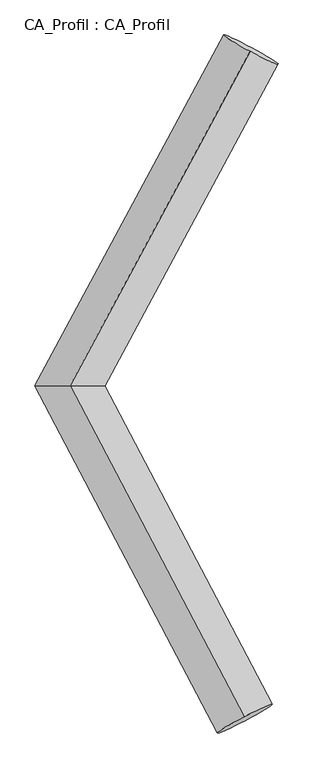
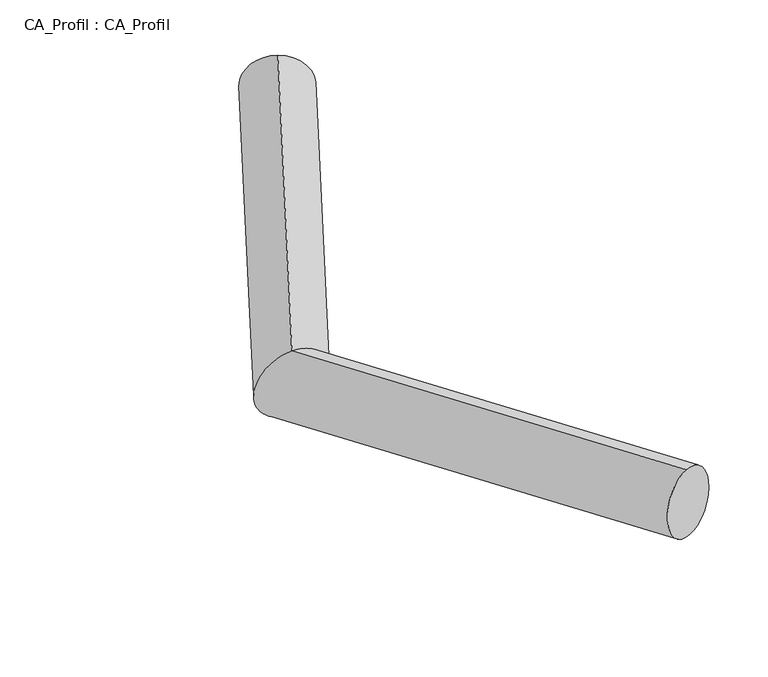
"""IFC4 building model written with IfcOpenShell, lengths in millimetres: plate geometry, CA_Profil : CA_Profil."""

from ifc_helpers import new_model, si_unit, frame, origin, place, context, project, spatial, circle_curve, ellipse_curve, source, transform, mapped, element, save
from ifc_brep_helpers import plane_surface, cylinder_surface, advanced_brep


def ca_profil_ca_profil_bdd454e1(model_context):
    return source(origin(), model_context, "Body", "AdvancedBrep", [
        advanced_brep(
        [(6126.7095514, 8830.3667037, -154.5913022), (6115.7813795, 8801.2446624, 344.4402417), (4654.0395632, 6095.7896212, -346.4229784), (4659.0212714, 6096.2103788, 154.6810046), (6076.3121593, 3387.852501, -152.6718588), (6065.6929492, 3417.9766403, 346.3068668)],
        [
            (0, 1, circle_curve(frame((6121.2454654, 8815.805683, 94.9244698), z_axis=(0.4732492921948654, 0.8787689564848922, 0.061645993831817784), x_axis=(-0.021856343689283776, -0.05824408269182588, 0.9980630877213743)), 250.0)),
            (1, 0, circle_curve(frame((6121.2454654, 8815.805683, 94.9244698), z_axis=(0.4732492921948654, 0.8787689564848922, 0.061645993831817784), x_axis=(-0.021856343689283776, -0.05824408269182588, 0.9980630877213743)), 250.0)),
            (0, 2),
            (2, 3, ellipse_curve(frame((4656.5304173, 6096.0, -95.8709869), z_axis=(0.005214807182140628, 0.999986005415758, -0.00089149239406138), x_axis=(0.9912306729570974, -0.005051429216885199, 0.13204634054712164)), 283.7138259, 250.0)),
            (3, 1),
            (3, 2, ellipse_curve(frame((4656.5304173, 6096.0, -95.8709869), z_axis=(0.005214807182140628, 0.999986005415758, -0.00089149239406138), x_axis=(0.9912306729570974, -0.005051429216885199, 0.13204634054712164)), 283.7138259, 250.0)),
            (4, 5, circle_curve(frame((6071.0025542, 3402.9145707, 96.817504), z_axis=(0.4640590330215186, -0.8835455910144744, 0.06321710583391646), x_axis=(-0.021238420224210942, 0.060248278752927514, 0.9979574512040529)), 250.0)),
            (5, 4, circle_curve(frame((6071.0025542, 3402.9145707, 96.817504), z_axis=(0.4640590330215186, -0.8835455910144744, 0.06321710583391646), x_axis=(-0.021238420224210942, 0.060248278752927514, 0.9979574512040529)), 250.0)),
            (2, 4),
            (5, 3),
        ],
        [
            plane_surface(frame((6121.2454654, 8833.3002897, -154.4626565), z_axis=(0.4732492921948641, 0.8787689564848932, 0.061645993831817174), x_axis=(0.8809285484289066, -0.47208912391475, -0.03311724089267754))),
            cylinder_surface(frame((6121.2454654, 8815.805683, 94.9244698), z_axis=(0.4732492921948655, 0.8787689564848924, 0.0616459938318178), x_axis=(-0.021856343689283776, -0.05824408269182588, 0.9980630877213743)), 250.0),
            plane_surface(frame((6071.0025542, 3385.0728455, -152.5450289), z_axis=(0.4640590330215191, -0.8835455910144742, 0.06321710583391624), x_axis=(0.8858042751483721, 0.4628757436601055, -0.03311845497561228))),
            cylinder_surface(frame((4656.5304173, 6096.0, -95.8709869), z_axis=(-0.4640590330215186, 0.8835455910144744, -0.06321710583391646), x_axis=(-0.021238420224210942, 0.060248278752927514, 0.9979574512040529)), 250.0),
        ],
        [
            (0, [[1, 2]]),
            (1, [[-1, 3, 4, 5]]),
            (1, [[-2, -5, 6, -3]]),
            (2, [[7, 8]]),
            (3, [[-4, 9, -8, 10]]),
            (3, [[-6, -10, -7, -9]]),
        ],
    ),
    ])


if __name__ == "__main__":
    model = new_model("IFC4")
    model_context = context("Model", 3, world=origin())
    ifc_project = project(units=[si_unit("LENGTHUNIT", "METRE", prefix="MILLI")], contexts=[model_context])
    site = spatial("IfcSite", under=ifc_project)
    building = spatial("IfcBuilding", under=site)
    placement = place(None, origin())
    ca_profil_ca_profil_shape = ca_profil_ca_profil_bdd454e1(model_context)
    element("IfcPlate", 1, ObjectType="CA_Profil : CA_Profil", at=placement, inside=building, context=model_context, shape_type="MappedRepresentation", body=[
        mapped(ca_profil_ca_profil_shape, transform((0.0, 0.0, 0.0), x_axis=(1.0, 0.0, 0.0), y_axis=(0.0, 1.0, 0.0), z_axis=(0.0, 0.0, 1.0))),
    ])
    save(model, "model.ifc")
